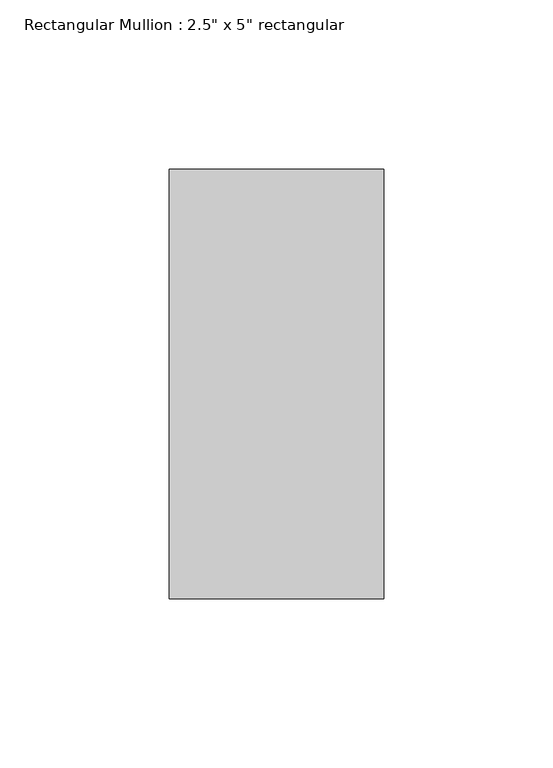
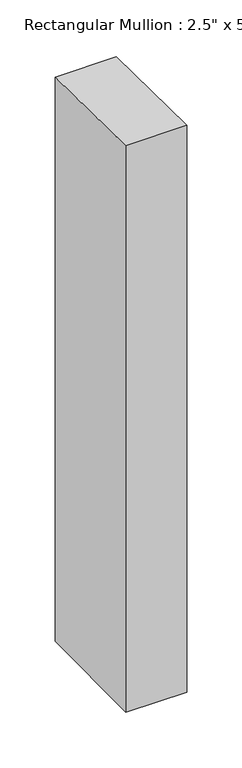
"""IFC4 building model written with IfcOpenShell, lengths in millimetres: member geometry."""

from ifc_helpers import new_model, si_unit, origin, place, context, project, spatial, faceted_brep, source, transform, mapped, element, save


def member_d36722a8(model_context):
    return source(origin(), model_context, "Body", "Brep", [
        faceted_brep([(-63.5, 63.5, -1.0636033), (0.0, 63.5, -0.7369529), (0.0, 63.5, -623.2521661), (-63.5, 63.5, -622.7864588), (-63.5, -63.5, 0.4103026), (-63.5, -63.5, -624.2683817), (0.0, -63.5, 0.7369529), (0.0, -63.5, -624.7340891)], [[[0, 1, 2, 3]], [[4, 0, 3, 5]], [[6, 4, 5, 7]], [[1, 6, 7, 2]], [[1, 0, 4, 6]], [[2, 7, 5, 3]]]),
    ])


if __name__ == "__main__":
    model = new_model("IFC4")
    model_context = context("Model", 3, world=origin())
    ifc_project = project(units=[si_unit("LENGTHUNIT", "METRE", prefix="MILLI")], contexts=[model_context])
    site = spatial("IfcSite", under=ifc_project)
    building = spatial("IfcBuilding", under=site)
    placement = place(None, origin())
    member_shape = member_d36722a8(model_context)
    element("IfcMember", 1, ObjectType="Rectangular Mullion : 2.5\" x 5\" rectangular", at=placement, inside=building, context=model_context, shape_type="MappedRepresentation", body=[
        mapped(member_shape, transform((0.0, 0.0, 0.0), x_axis=(1.0, 0.0, 0.0), y_axis=(0.0, 1.0, 0.0), z_axis=(0.0, 0.0, 1.0))),
    ])
    save(model, "model.ifc")
